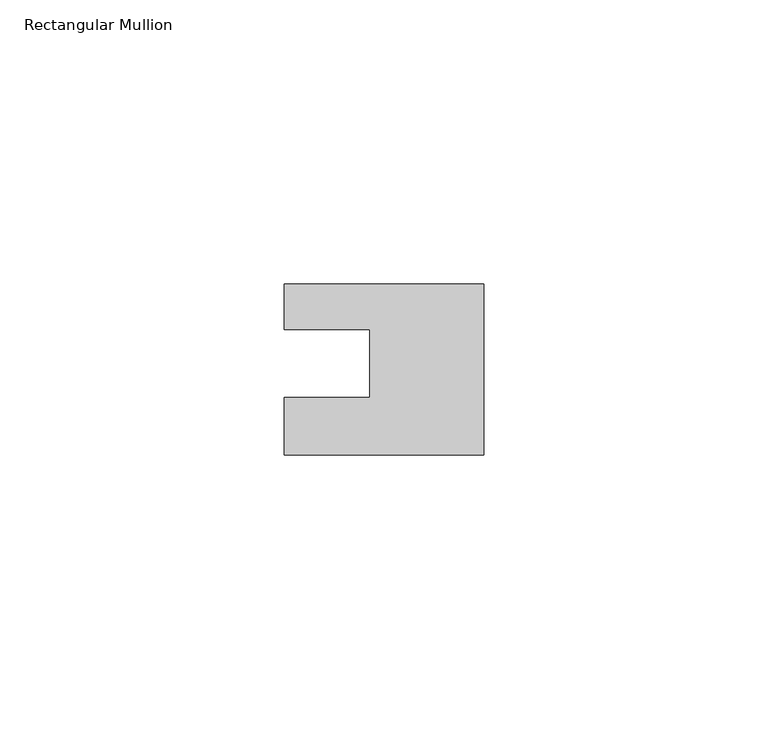
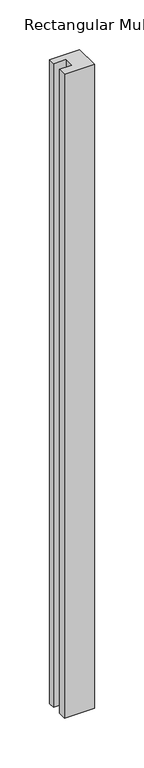
"""IFC4 building model written with IfcOpenShell, lengths in millimetres: member geometry, Rectangular Mullion."""

from ifc_helpers import new_model, si_unit, frame, origin, place, context, project, spatial, polyline, outline, extrude, source, transform, mapped, element, save


def rectangular_mullion_dd14baac(model_context):
    return source(origin(), model_context, "Body", "SweptSolid", [
        extrude(outline(polyline([(0.0, 7.94), (0.0, -22.06), (-35.0, -22.06), (-35.0, -12.0), (-20.0, -12.0), (-20.0, 0.001), (-35.0, 0.001), (-35.0, 7.94), (0.0, 7.94)])), frame((0.0, 0.0, -792.0), z_axis=(0.0, 0.0, 1.0), x_axis=(1.0, 0.0, 0.0)), (0.0, 0.0, 1.0), 792.0),
    ])


if __name__ == "__main__":
    model = new_model("IFC4")
    model_context = context("Model", 3, world=origin())
    ifc_project = project(units=[si_unit("LENGTHUNIT", "METRE", prefix="MILLI")], contexts=[model_context])
    site = spatial("IfcSite", under=ifc_project)
    building = spatial("IfcBuilding", under=site)
    placement = place(None, origin())
    rectangular_mullion_shape = rectangular_mullion_dd14baac(model_context)
    element("IfcMember", 1, ObjectType="Rectangular Mullion", at=placement, inside=building, context=model_context, shape_type="MappedRepresentation", body=[
        mapped(rectangular_mullion_shape, transform((0.0, 0.0, 0.0), x_axis=(1.0, 0.0, 0.0), y_axis=(0.0, 1.0, 0.0), z_axis=(0.0, 0.0, 1.0))),
    ])
    save(model, "model.ifc")
